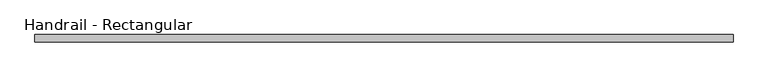
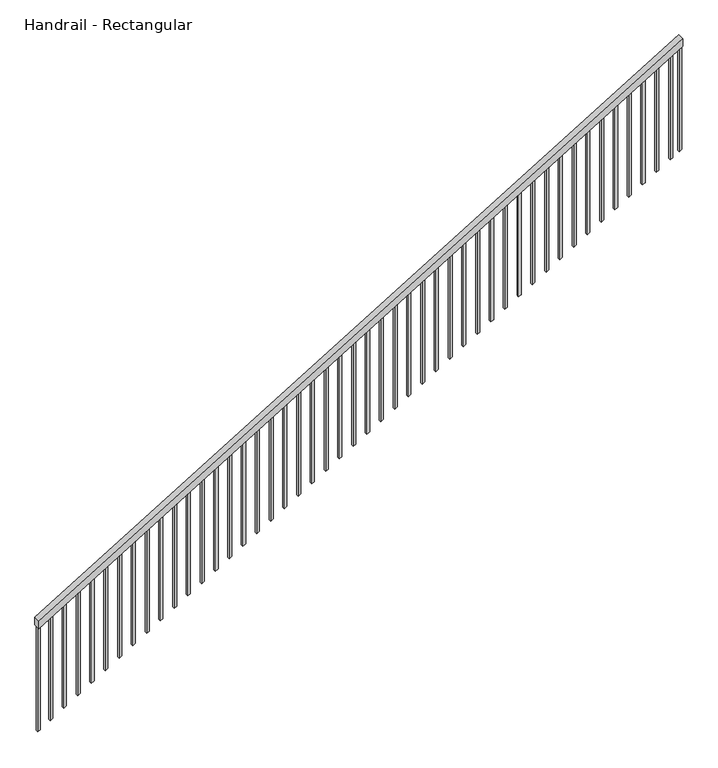
"""IFC4 building model written with IfcOpenShell, lengths in millimetres: railing geometry, Handrail - Rectangular."""

import ifcopenshell
import ifcopenshell.guid

model = None  # the IFC model being written
_history = None  # IfcOwnerHistory: only IFC2X3 demands one
_inside = {}  # id of a spatial element -> (the spatial element, [elements in it])
_under = {}  # id of a project, library or spatial element -> (it, [spatial elements below it])
_declared = {}  # id of a project -> (the project, [libraries it declares])
_typed = {}  # id of a type object -> (the type object, [elements of that type])
_made_of = {}  # id of a material, layer set ... -> (it, [elements and type objects made of it])


def new_model(schema):
    """Start an empty IFC model of exactly this schema.

    Asked for "IFC4X3", IfcOpenShell would pick the latest addendum, in which some entities
    have other attributes; the version numbers below select the first issue.
    IFC2X3 requires an IfcOwnerHistory on every rooted entity: one is made here for all.
    """
    global model, _history
    if schema == "IFC4X3":
        model = ifcopenshell.file(schema_version=(4, 3, 0, 0))
    else:
        model = ifcopenshell.file(schema=schema)
    _inside.clear()
    _under.clear()
    _declared.clear()
    _typed.clear()
    _made_of.clear()
    _history = None
    if model.schema == "IFC2X3":
        org = make("IfcOrganization", Name="unknown")
        user = make(
            "IfcPersonAndOrganization",
            ThePerson=make("IfcPerson", FamilyName="unknown"),
            TheOrganization=org,
        )
        app = make(
            "IfcApplication",
            ApplicationDeveloper=org,
            Version="unknown",
            ApplicationFullName="unknown",
            ApplicationIdentifier="unknown",
        )
        _history = make(
            "IfcOwnerHistory",
            OwningUser=user,
            OwningApplication=app,
            ChangeAction="ADDED",
            CreationDate=0,
        )
    return model


def make(cls, **values):
    """One entity of the class cls with the attributes given. An attribute that is None is left unset."""
    return model.create_entity(
        cls, **{name: value for name, value in values.items() if value is not None}
    )


def rooted(cls, **values):
    """An entity with a GlobalId (a new one), such as an element, a storey or a relation."""
    return make(cls, GlobalId=ifcopenshell.guid.new(), OwnerHistory=_history, **values)


def si_unit(unit_type, name, prefix=None):
    """IfcSIUnit, for example si_unit("LENGTHUNIT", "METRE", prefix="MILLI")."""
    return make("IfcSIUnit", UnitType=unit_type, Prefix=prefix, Name=name)


def assignment(units):
    """IfcUnitAssignment: the units of a project."""
    return None if units is None else make("IfcUnitAssignment", Units=units)


def point(xyz):
    """IfcCartesianPoint."""
    return None if xyz is None else make("IfcCartesianPoint", Coordinates=xyz)


def direction(xyz):
    """IfcDirection."""
    return None if xyz is None else make("IfcDirection", DirectionRatios=xyz)


def frame(location, z_axis=None, x_axis=None):
    """IfcAxis2Placement3D, a coordinate frame: its origin and axes. An axis left out is left unset."""
    return make(
        "IfcAxis2Placement3D",
        Location=point(location),
        Axis=direction(z_axis),
        RefDirection=direction(x_axis),
    )


def origin():
    """The frame at (0, 0, 0) with its axes left unset."""
    return frame((0.0, 0.0, 0.0))


def place(relative_to, where):
    """IfcLocalPlacement: puts the frame where relative to a parent placement (None: the world)."""
    return make(
        "IfcLocalPlacement", PlacementRelTo=relative_to, RelativePlacement=where
    )


def context(
    kind, dimensions, precision=None, world=None, true_north=None, identifier=None
):
    """IfcGeometricRepresentationContext, for example the 3D "Model" context."""
    return make(
        "IfcGeometricRepresentationContext",
        ContextIdentifier=identifier,
        ContextType=kind,
        CoordinateSpaceDimension=dimensions,
        Precision=precision,
        WorldCoordinateSystem=world,
        TrueNorth=true_north,
    )


def project(units=None, contexts=None):
    """IfcProject with its units and contexts."""
    return rooted(
        "IfcProject",
        Name="project",
        RepresentationContexts=contexts,
        UnitsInContext=assignment(units),
    )


def spatial(cls, under=None, at=None, **own):
    """A site, building, storey or space (cls), placed at a placement, below another one or the project."""
    s = rooted(cls, ObjectPlacement=at, **own)
    if under is not None:
        _under.setdefault(under.id(), (under, []))[1].append(s)
    return s


def polyline(points):
    """IfcPolyline through the points."""
    return make("IfcPolyline", Points=[point(p) for p in points])


def outline(outer, holes=None, kind="AREA"):
    """IfcArbitraryClosedProfileDef: a profile drawn as a closed curve; with holes, ...WithVoids."""
    if holes is None:
        return make("IfcArbitraryClosedProfileDef", ProfileType=kind, OuterCurve=outer)
    return make(
        "IfcArbitraryProfileDefWithVoids",
        ProfileType=kind,
        OuterCurve=outer,
        InnerCurves=holes,
    )


def extrude(swept, where, along, depth):
    """IfcExtrudedAreaSolid: the profile swept, set in the frame where, extruded along a direction by depth."""
    return make(
        "IfcExtrudedAreaSolid",
        SweptArea=swept,
        Position=where,
        ExtrudedDirection=direction(along),
        Depth=depth,
    )


def shape(context_of_items, identifier, shape_type, items):
    """IfcShapeRepresentation: the items that make up one representation, for example the "Body"."""
    return make(
        "IfcShapeRepresentation",
        ContextOfItems=context_of_items,
        RepresentationIdentifier=identifier,
        RepresentationType=shape_type,
        Items=items,
    )


def source(mapping_origin, context_of_items, identifier, shape_type, items):
    """IfcRepresentationMap: a shape defined once, which mapped items show again and again."""
    return make(
        "IfcRepresentationMap",
        MappingOrigin=mapping_origin,
        MappedRepresentation=shape(context_of_items, identifier, shape_type, items),
    )


def transform(
    local_origin,
    x_axis=None,
    y_axis=None,
    z_axis=None,
    scale=None,
    scale2=None,
    scale3=None,
    uniform=True,
):
    """IfcCartesianTransformationOperator3D, or its non-uniform kind. x_axis, y_axis, z_axis: its Axis1, 2, 3."""
    if uniform:
        return make(
            "IfcCartesianTransformationOperator3D",
            Axis1=direction(x_axis),
            Axis2=direction(y_axis),
            LocalOrigin=point(local_origin),
            Scale=scale,
            Axis3=direction(z_axis),
        )
    return make(
        "IfcCartesianTransformationOperator3DnonUniform",
        Axis1=direction(x_axis),
        Axis2=direction(y_axis),
        LocalOrigin=point(local_origin),
        Scale=scale,
        Axis3=direction(z_axis),
        Scale2=scale2,
        Scale3=scale3,
    )


def mapped(mapping_source, mapping_target):
    """IfcMappedItem: shows the shape of a source again, moved by a transform."""
    return make(
        "IfcMappedItem", MappingSource=mapping_source, MappingTarget=mapping_target
    )


def made_of(thing, what):
    """Note that an element or type object is made of a material, layer set ...; save() writes the relation."""
    if what is not None:
        _made_of.setdefault(what.id(), (what, []))[1].append(thing)
    return thing


def element(
    cls,
    number,
    at=None,
    inside=None,
    cuts=None,
    type_object=None,
    material=None,
    context=None,
    identifier="Body",
    shape_type=None,
    held_by="IfcProductDefinitionShape",
    body=None,
    shapes=None,
    **own,
):
    """One element of the class cls, such as IfcWall. Its Tag is "e" and its number.

    at: its placement. inside: the storey or other place that contains it. cuts: it is an
    opening in that element (IfcRelVoidsElement). A single representation is given by context,
    identifier, shape_type and body (its items); several are given by shapes. held_by: the class
    of the entity that holds the representations. save() writes the other relations.
    """
    e = rooted(cls, Tag="e%d" % number, ObjectPlacement=at, **own)
    if body is not None:
        shapes = [shape(context, identifier, shape_type, body)]
    if shapes is not None:
        e.Representation = make(held_by, Representations=shapes)
    if inside is not None:
        _inside.setdefault(inside.id(), (inside, []))[1].append(e)
    if cuts is not None:
        rooted(
            "IfcRelVoidsElement", RelatingBuildingElement=cuts, RelatedOpeningElement=e
        )
    if type_object is not None:
        _typed.setdefault(type_object.id(), (type_object, []))[1].append(e)
    return made_of(e, material)


def aggregate(whole, parts):
    """IfcRelAggregates: a whole, such as a stair, and the parts it consists of."""
    return rooted("IfcRelAggregates", RelatingObject=whole, RelatedObjects=parts)


def save(model, path):
    """Write the relations noted so far, then the file.

    IfcRelAggregates (storeys below a building ...), IfcRelContainedInSpatialStructure (elements
    in a storey), IfcRelDefinesByType, IfcRelAssociatesMaterial and IfcRelDeclares: one each for
    every whole, place, type object, material and project.
    """
    for whole, parts in _under.values():
        aggregate(whole, parts)
    for where, things in _inside.values():
        rooted(
            "IfcRelContainedInSpatialStructure",
            RelatedElements=things,
            RelatingStructure=where,
        )
    for kind, things in _typed.values():
        rooted("IfcRelDefinesByType", RelatedObjects=things, RelatingType=kind)
    for what, things in _made_of.values():
        rooted("IfcRelAssociatesMaterial", RelatedObjects=things, RelatingMaterial=what)
    for by, libraries in _declared.values():
        rooted("IfcRelDeclares", RelatingContext=by, RelatedDefinitions=libraries)
    model.write(path)


def handrail_rectangular_434c3035(model_context):
    return source(origin(), model_context, "Body", "SweptSolid", [
        extrude(outline(polyline([(1083.7333333, -15214.9582108), (1024.3318731, -15214.9582108), (3902.9985397, -10465.1582108), (3962.4, -10465.1582108), (1083.7333333, -15214.9582108)])), frame((0.0, 5245.7192106, 0.0), z_axis=(0.0, 1.0, 0.0), x_axis=(0.0, 0.0, 1.0)), (0.0, 0.0, 1.0), 50.8),
        extrude(outline(polyline([(3851.0439943, -10550.8832108), (3038.8266332, -10550.8832108), (3050.3720877, -10531.8332108), (3862.5894488, -10531.8332108), (3851.0439943, -10550.8832108)])), frame((0.0, 5261.5942106, 0.0), z_axis=(0.0, 1.0, 0.0), x_axis=(0.0, 0.0, 1.0)), (0.0, 0.0, 1.0), 19.05),
        extrude(outline(polyline([(3789.4682367, -10652.4832108), (2977.2508756, -10652.4832108), (2988.7963301, -10633.4332108), (3801.0136913, -10633.4332108), (3789.4682367, -10652.4832108)])), frame((0.0, 5261.5942106, 0.0), z_axis=(0.0, 1.0, 0.0), x_axis=(0.0, 0.0, 1.0)), (0.0, 0.0, 1.0), 19.05),
        extrude(outline(polyline([(3727.8924791, -10754.0832108), (2915.675118, -10754.0832108), (2927.2205726, -10735.0332108), (3739.4379337, -10735.0332108), (3727.8924791, -10754.0832108)])), frame((0.0, 5261.5942106, 0.0), z_axis=(0.0, 1.0, 0.0), x_axis=(0.0, 0.0, 1.0)), (0.0, 0.0, 1.0), 19.05),
        extrude(outline(polyline([(3666.3167216, -10855.6832108), (2854.0993604, -10855.6832108), (2865.644815, -10836.6332108), (3677.8621761, -10836.6332108), (3666.3167216, -10855.6832108)])), frame((0.0, 5261.5942106, 0.0), z_axis=(0.0, 1.0, 0.0), x_axis=(0.0, 0.0, 1.0)), (0.0, 0.0, 1.0), 19.05),
        extrude(outline(polyline([(3604.740964, -10957.2832108), (2792.5236029, -10957.2832108), (2804.0690574, -10938.2332108), (3616.2864185, -10938.2332108), (3604.740964, -10957.2832108)])), frame((0.0, 5261.5942106, 0.0), z_axis=(0.0, 1.0, 0.0), x_axis=(0.0, 0.0, 1.0)), (0.0, 0.0, 1.0), 19.05),
        extrude(outline(polyline([(3543.1652064, -11058.8832108), (2730.9478453, -11058.8832108), (2742.4932998, -11039.8332108), (3554.710661, -11039.8332108), (3543.1652064, -11058.8832108)])), frame((0.0, 5261.5942106, 0.0), z_axis=(0.0, 1.0, 0.0), x_axis=(0.0, 0.0, 1.0)), (0.0, 0.0, 1.0), 19.05),
        extrude(outline(polyline([(3481.5894488, -11160.4832108), (2669.3720877, -11160.4832108), (2680.9175423, -11141.4332108), (3493.1349034, -11141.4332108), (3481.5894488, -11160.4832108)])), frame((0.0, 5261.5942106, 0.0), z_axis=(0.0, 1.0, 0.0), x_axis=(0.0, 0.0, 1.0)), (0.0, 0.0, 1.0), 19.05),
        extrude(outline(polyline([(3420.0136913, -11262.0832108), (2607.7963301, -11262.0832108), (2619.3417847, -11243.0332108), (3431.5591458, -11243.0332108), (3420.0136913, -11262.0832108)])), frame((0.0, 5261.5942106, 0.0), z_axis=(0.0, 1.0, 0.0), x_axis=(0.0, 0.0, 1.0)), (0.0, 0.0, 1.0), 19.05),
        extrude(outline(polyline([(3358.4379337, -11363.6832108), (2546.2205726, -11363.6832108), (2557.7660271, -11344.6332108), (3369.9833882, -11344.6332108), (3358.4379337, -11363.6832108)])), frame((0.0, 5261.5942106, 0.0), z_axis=(0.0, 1.0, 0.0), x_axis=(0.0, 0.0, 1.0)), (0.0, 0.0, 1.0), 19.05),
        extrude(outline(polyline([(3296.8621761, -11465.2832108), (2484.644815, -11465.2832108), (2496.1902695, -11446.2332108), (3308.4076307, -11446.2332108), (3296.8621761, -11465.2832108)])), frame((0.0, 5261.5942106, 0.0), z_axis=(0.0, 1.0, 0.0), x_axis=(0.0, 0.0, 1.0)), (0.0, 0.0, 1.0), 19.05),
        extrude(outline(polyline([(3235.2864185, -11566.8832108), (2423.0690574, -11566.8832108), (2434.614512, -11547.8332108), (3246.8318731, -11547.8332108), (3235.2864185, -11566.8832108)])), frame((0.0, 5261.5942106, 0.0), z_axis=(0.0, 1.0, 0.0), x_axis=(0.0, 0.0, 1.0)), (0.0, 0.0, 1.0), 19.05),
        extrude(outline(polyline([(3173.710661, -11668.4832108), (2361.4932998, -11668.4832108), (2373.0387544, -11649.4332108), (3185.2561155, -11649.4332108), (3173.710661, -11668.4832108)])), frame((0.0, 5261.5942106, 0.0), z_axis=(0.0, 1.0, 0.0), x_axis=(0.0, 0.0, 1.0)), (0.0, 0.0, 1.0), 19.05),
        extrude(outline(polyline([(3112.1349034, -11770.0832108), (2299.9175423, -11770.0832108), (2311.4629968, -11751.0332108), (3123.6803579, -11751.0332108), (3112.1349034, -11770.0832108)])), frame((0.0, 5261.5942106, 0.0), z_axis=(0.0, 1.0, 0.0), x_axis=(0.0, 0.0, 1.0)), (0.0, 0.0, 1.0), 19.05),
        extrude(outline(polyline([(3050.5591458, -11871.6832108), (2238.3417847, -11871.6832108), (2249.8872392, -11852.6332108), (3062.1046004, -11852.6332108), (3050.5591458, -11871.6832108)])), frame((0.0, 5261.5942106, 0.0), z_axis=(0.0, 1.0, 0.0), x_axis=(0.0, 0.0, 1.0)), (0.0, 0.0, 1.0), 19.05),
        extrude(outline(polyline([(2988.9833882, -11973.2832108), (2176.7660271, -11973.2832108), (2188.3114817, -11954.2332108), (3000.5288428, -11954.2332108), (2988.9833882, -11973.2832108)])), frame((0.0, 5261.5942106, 0.0), z_axis=(0.0, 1.0, 0.0), x_axis=(0.0, 0.0, 1.0)), (0.0, 0.0, 1.0), 19.05),
        extrude(outline(polyline([(2927.4076307, -12074.8832108), (2115.1902695, -12074.8832108), (2126.7357241, -12055.8332108), (2938.9530852, -12055.8332108), (2927.4076307, -12074.8832108)])), frame((0.0, 5261.5942106, 0.0), z_axis=(0.0, 1.0, 0.0), x_axis=(0.0, 0.0, 1.0)), (0.0, 0.0, 1.0), 19.05),
        extrude(outline(polyline([(2865.8318731, -12176.4832108), (2053.614512, -12176.4832108), (2065.1599665, -12157.4332108), (2877.3773276, -12157.4332108), (2865.8318731, -12176.4832108)])), frame((0.0, 5261.5942106, 0.0), z_axis=(0.0, 1.0, 0.0), x_axis=(0.0, 0.0, 1.0)), (0.0, 0.0, 1.0), 19.05),
        extrude(outline(polyline([(2804.2561155, -12278.0832108), (1992.0387544, -12278.0832108), (2003.5842089, -12259.0332108), (2815.80157, -12259.0332108), (2804.2561155, -12278.0832108)])), frame((0.0, 5261.5942106, 0.0), z_axis=(0.0, 1.0, 0.0), x_axis=(0.0, 0.0, 1.0)), (0.0, 0.0, 1.0), 19.05),
        extrude(outline(polyline([(2742.6803579, -12379.6832108), (1930.4629968, -12379.6832108), (1942.0084514, -12360.6332108), (2754.2258125, -12360.6332108), (2742.6803579, -12379.6832108)])), frame((0.0, 5261.5942106, 0.0), z_axis=(0.0, 1.0, 0.0), x_axis=(0.0, 0.0, 1.0)), (0.0, 0.0, 1.0), 19.05),
        extrude(outline(polyline([(2681.1046004, -12481.2832108), (1868.8872392, -12481.2832108), (1880.4326938, -12462.2332108), (2692.6500549, -12462.2332108), (2681.1046004, -12481.2832108)])), frame((0.0, 5261.5942106, 0.0), z_axis=(0.0, 1.0, 0.0), x_axis=(0.0, 0.0, 1.0)), (0.0, 0.0, 1.0), 19.05),
        extrude(outline(polyline([(2619.5288428, -12582.8832108), (1807.3114817, -12582.8832108), (1818.8569362, -12563.8332108), (2631.0742973, -12563.8332108), (2619.5288428, -12582.8832108)])), frame((0.0, 5261.5942106, 0.0), z_axis=(0.0, 1.0, 0.0), x_axis=(0.0, 0.0, 1.0)), (0.0, 0.0, 1.0), 19.05),
        extrude(outline(polyline([(2557.9530852, -12684.4832108), (1745.7357241, -12684.4832108), (1757.2811786, -12665.4332108), (2569.4985397, -12665.4332108), (2557.9530852, -12684.4832108)])), frame((0.0, 5261.5942106, 0.0), z_axis=(0.0, 1.0, 0.0), x_axis=(0.0, 0.0, 1.0)), (0.0, 0.0, 1.0), 19.05),
        extrude(outline(polyline([(2496.3773276, -12786.0832108), (1684.1599665, -12786.0832108), (1695.7054211, -12767.0332108), (2507.9227822, -12767.0332108), (2496.3773276, -12786.0832108)])), frame((0.0, 5261.5942106, 0.0), z_axis=(0.0, 1.0, 0.0), x_axis=(0.0, 0.0, 1.0)), (0.0, 0.0, 1.0), 19.05),
        extrude(outline(polyline([(2434.80157, -12887.6832108), (1622.5842089, -12887.6832108), (1634.1296635, -12868.6332108), (2446.3470246, -12868.6332108), (2434.80157, -12887.6832108)])), frame((0.0, 5261.5942106, 0.0), z_axis=(0.0, 1.0, 0.0), x_axis=(0.0, 0.0, 1.0)), (0.0, 0.0, 1.0), 19.05),
        extrude(outline(polyline([(2373.2258125, -12989.2832108), (1561.0084514, -12989.2832108), (1572.5539059, -12970.2332108), (2384.771267, -12970.2332108), (2373.2258125, -12989.2832108)])), frame((0.0, 5261.5942106, 0.0), z_axis=(0.0, 1.0, 0.0), x_axis=(0.0, 0.0, 1.0)), (0.0, 0.0, 1.0), 19.05),
        extrude(outline(polyline([(2311.6500549, -13090.8832108), (1499.4326938, -13090.8832108), (1510.9781483, -13071.8332108), (2323.1955094, -13071.8332108), (2311.6500549, -13090.8832108)])), frame((0.0, 5261.5942106, 0.0), z_axis=(0.0, 1.0, 0.0), x_axis=(0.0, 0.0, 1.0)), (0.0, 0.0, 1.0), 19.05),
        extrude(outline(polyline([(2250.0742973, -13192.4832108), (1437.8569362, -13192.4832108), (1449.4023907, -13173.4332108), (2261.6197519, -13173.4332108), (2250.0742973, -13192.4832108)])), frame((0.0, 5261.5942106, 0.0), z_axis=(0.0, 1.0, 0.0), x_axis=(0.0, 0.0, 1.0)), (0.0, 0.0, 1.0), 19.05),
        extrude(outline(polyline([(2188.4985397, -13294.0832108), (1376.2811786, -13294.0832108), (1387.8266332, -13275.0332108), (2200.0439943, -13275.0332108), (2188.4985397, -13294.0832108)])), frame((0.0, 5261.5942106, 0.0), z_axis=(0.0, 1.0, 0.0), x_axis=(0.0, 0.0, 1.0)), (0.0, 0.0, 1.0), 19.05),
        extrude(outline(polyline([(2126.9227822, -13395.6832108), (1314.7054211, -13395.6832108), (1326.2508756, -13376.6332108), (2138.4682367, -13376.6332108), (2126.9227822, -13395.6832108)])), frame((0.0, 5261.5942106, 0.0), z_axis=(0.0, 1.0, 0.0), x_axis=(0.0, 0.0, 1.0)), (0.0, 0.0, 1.0), 19.05),
        extrude(outline(polyline([(2065.3470246, -13497.2832108), (1253.1296635, -13497.2832108), (1264.675118, -13478.2332108), (2076.8924791, -13478.2332108), (2065.3470246, -13497.2832108)])), frame((0.0, 5261.5942106, 0.0), z_axis=(0.0, 1.0, 0.0), x_axis=(0.0, 0.0, 1.0)), (0.0, 0.0, 1.0), 19.05),
        extrude(outline(polyline([(2003.771267, -13598.8832108), (1191.5539059, -13598.8832108), (1203.0993604, -13579.8332108), (2015.3167216, -13579.8332108), (2003.771267, -13598.8832108)])), frame((0.0, 5261.5942106, 0.0), z_axis=(0.0, 1.0, 0.0), x_axis=(0.0, 0.0, 1.0)), (0.0, 0.0, 1.0), 19.05),
        extrude(outline(polyline([(1942.1955094, -13700.4832108), (1129.9781483, -13700.4832108), (1141.5236029, -13681.4332108), (1953.740964, -13681.4332108), (1942.1955094, -13700.4832108)])), frame((0.0, 5261.5942106, 0.0), z_axis=(0.0, 1.0, 0.0), x_axis=(0.0, 0.0, 1.0)), (0.0, 0.0, 1.0), 19.05),
        extrude(outline(polyline([(1880.6197519, -13802.0832108), (1068.4023907, -13802.0832108), (1079.9478453, -13783.0332108), (1892.1652064, -13783.0332108), (1880.6197519, -13802.0832108)])), frame((0.0, 5261.5942106, 0.0), z_axis=(0.0, 1.0, 0.0), x_axis=(0.0, 0.0, 1.0)), (0.0, 0.0, 1.0), 19.05),
        extrude(outline(polyline([(1819.0439943, -13903.6832108), (1006.8266332, -13903.6832108), (1018.3720877, -13884.6332108), (1830.5894488, -13884.6332108), (1819.0439943, -13903.6832108)])), frame((0.0, 5261.5942106, 0.0), z_axis=(0.0, 1.0, 0.0), x_axis=(0.0, 0.0, 1.0)), (0.0, 0.0, 1.0), 19.05),
        extrude(outline(polyline([(1757.4682367, -14005.2832108), (945.2508756, -14005.2832108), (956.7963301, -13986.2332108), (1769.0136913, -13986.2332108), (1757.4682367, -14005.2832108)])), frame((0.0, 5261.5942106, 0.0), z_axis=(0.0, 1.0, 0.0), x_axis=(0.0, 0.0, 1.0)), (0.0, 0.0, 1.0), 19.05),
        extrude(outline(polyline([(1695.8924791, -14106.8832108), (883.675118, -14106.8832108), (895.2205726, -14087.8332108), (1707.4379337, -14087.8332108), (1695.8924791, -14106.8832108)])), frame((0.0, 5261.5942106, 0.0), z_axis=(0.0, 1.0, 0.0), x_axis=(0.0, 0.0, 1.0)), (0.0, 0.0, 1.0), 19.05),
        extrude(outline(polyline([(1634.3167216, -14208.4832108), (822.0993604, -14208.4832108), (833.644815, -14189.4332108), (1645.8621761, -14189.4332108), (1634.3167216, -14208.4832108)])), frame((0.0, 5261.5942106, 0.0), z_axis=(0.0, 1.0, 0.0), x_axis=(0.0, 0.0, 1.0)), (0.0, 0.0, 1.0), 19.05),
        extrude(outline(polyline([(1572.740964, -14310.0832108), (760.5236029, -14310.0832108), (772.0690574, -14291.0332108), (1584.2864185, -14291.0332108), (1572.740964, -14310.0832108)])), frame((0.0, 5261.5942106, 0.0), z_axis=(0.0, 1.0, 0.0), x_axis=(0.0, 0.0, 1.0)), (0.0, 0.0, 1.0), 19.05),
        extrude(outline(polyline([(1511.1652064, -14411.6832108), (698.9478453, -14411.6832108), (710.4932998, -14392.6332108), (1522.710661, -14392.6332108), (1511.1652064, -14411.6832108)])), frame((0.0, 5261.5942106, 0.0), z_axis=(0.0, 1.0, 0.0), x_axis=(0.0, 0.0, 1.0)), (0.0, 0.0, 1.0), 19.05),
        extrude(outline(polyline([(1449.5894488, -14513.2832108), (637.3720877, -14513.2832108), (648.9175423, -14494.2332108), (1461.1349034, -14494.2332108), (1449.5894488, -14513.2832108)])), frame((0.0, 5261.5942106, 0.0), z_axis=(0.0, 1.0, 0.0), x_axis=(0.0, 0.0, 1.0)), (0.0, 0.0, 1.0), 19.05),
        extrude(outline(polyline([(1388.0136913, -14614.8832108), (575.7963301, -14614.8832108), (587.3417847, -14595.8332108), (1399.5591458, -14595.8332108), (1388.0136913, -14614.8832108)])), frame((0.0, 5261.5942106, 0.0), z_axis=(0.0, 1.0, 0.0), x_axis=(0.0, 0.0, 1.0)), (0.0, 0.0, 1.0), 19.05),
        extrude(outline(polyline([(1326.4379337, -14716.4832108), (514.2205726, -14716.4832108), (525.7660271, -14697.4332108), (1337.9833882, -14697.4332108), (1326.4379337, -14716.4832108)])), frame((0.0, 5261.5942106, 0.0), z_axis=(0.0, 1.0, 0.0), x_axis=(0.0, 0.0, 1.0)), (0.0, 0.0, 1.0), 19.05),
        extrude(outline(polyline([(1264.8621761, -14818.0832108), (452.644815, -14818.0832108), (464.1902695, -14799.0332108), (1276.4076307, -14799.0332108), (1264.8621761, -14818.0832108)])), frame((0.0, 5261.5942106, 0.0), z_axis=(0.0, 1.0, 0.0), x_axis=(0.0, 0.0, 1.0)), (0.0, 0.0, 1.0), 19.05),
        extrude(outline(polyline([(1203.2864185, -14919.6832108), (391.0690574, -14919.6832108), (402.614512, -14900.6332108), (1214.8318731, -14900.6332108), (1203.2864185, -14919.6832108)])), frame((0.0, 5261.5942106, 0.0), z_axis=(0.0, 1.0, 0.0), x_axis=(0.0, 0.0, 1.0)), (0.0, 0.0, 1.0), 19.05),
        extrude(outline(polyline([(1141.710661, -15021.2832108), (329.4932998, -15021.2832108), (341.0387544, -15002.2332108), (1153.2561155, -15002.2332108), (1141.710661, -15021.2832108)])), frame((0.0, 5261.5942106, 0.0), z_axis=(0.0, 1.0, 0.0), x_axis=(0.0, 0.0, 1.0)), (0.0, 0.0, 1.0), 19.05),
        extrude(outline(polyline([(1080.1349034, -15122.8832108), (267.9175423, -15122.8832108), (279.4629968, -15103.8332108), (1091.6803579, -15103.8332108), (1080.1349034, -15122.8832108)])), frame((0.0, 5261.5942106, 0.0), z_axis=(0.0, 1.0, 0.0), x_axis=(0.0, 0.0, 1.0)), (0.0, 0.0, 1.0), 19.05),
        extrude(outline(polyline([(3891.4530852, -10484.2082108), (3079.2357241, -10484.2082108), (3090.7811786, -10465.1582108), (3902.9985397, -10465.1582108), (3891.4530852, -10484.2082108)])), frame((0.0, 5261.5942106, 0.0), z_axis=(0.0, 1.0, 0.0), x_axis=(0.0, 0.0, 1.0)), (0.0, 0.0, 1.0), 19.05),
        extrude(outline(polyline([(1024.3318731, -15214.9582108), (212.114512, -15214.9582108), (223.6599665, -15195.9082108), (1035.8773276, -15195.9082108), (1024.3318731, -15214.9582108)])), frame((0.0, 5261.5942106, 0.0), z_axis=(0.0, 1.0, 0.0), x_axis=(0.0, 0.0, 1.0)), (0.0, 0.0, 1.0), 19.05),
    ])


if __name__ == "__main__":
    model = new_model("IFC4")
    model_context = context("Model", 3, world=origin())
    ifc_project = project(units=[si_unit("LENGTHUNIT", "METRE", prefix="MILLI")], contexts=[model_context])
    site = spatial("IfcSite", under=ifc_project)
    building = spatial("IfcBuilding", under=site)
    placement = place(None, origin())
    handrail_rectangular_shape = handrail_rectangular_434c3035(model_context)
    element("IfcRailing", 1, ObjectType="Handrail - Rectangular", at=placement, inside=building, context=model_context, shape_type="MappedRepresentation", body=[
        mapped(handrail_rectangular_shape, transform((0.0, 0.0, 0.0), x_axis=(1.0, 0.0, 0.0), y_axis=(0.0, 1.0, 0.0), z_axis=(0.0, 0.0, 1.0))),
    ])
    save(model, "model.ifc")
